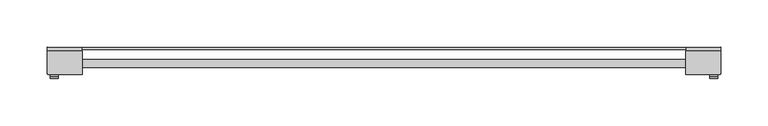
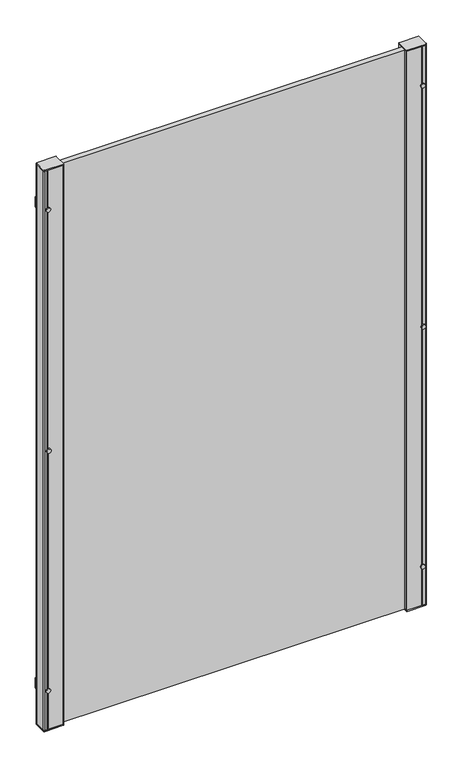
"""IFC4 building model written with IfcOpenShell, lengths in millimetres: railing geometry."""

from ifc_helpers import new_model, si_unit, point, frame, frame_2d, origin, place, context, project, spatial, polyline, circle_curve, trimmed, segment, composite_curve, outline, extrude, source, transform, mapped, element, save
from ifc_brep_helpers import plane_surface, cylinder_surface, advanced_brep


def railing_b41615d3(model_context):
    return source(origin(), model_context, "Body", "SolidModel", [
        extrude(outline(polyline([(-2099.7671701, -2234.4918565), (-2099.7671701, -2232.6281736), (-1419.7671701, -2232.6281736), (-1419.7671701, -2234.4918565), (-2099.7671701, -2234.4918565)])), frame((0.0, 0.0, 500.0), z_axis=(0.0, 0.0, 1.0), x_axis=(1.0, 0.0, 0.0)), (0.0, 0.0, 1.0), 1.1703418),
        extrude(outline(polyline([(-2099.7671701, -2253.9762394), (-2099.7671701, -2245.2162394), (-1419.7671701, -2245.2162394), (-1419.7671701, -2253.9762394), (-2099.7671701, -2253.9762394)])), frame((0.0, 0.0, 500.0), z_axis=(0.0, 0.0, 1.0), x_axis=(1.0, 0.0, 0.0)), (0.0, 0.0, 1.0), 1099.0),
        extrude(outline(composite_curve([segment(trimmed(circle_curve(frame_2d((0.0, 4.0)), 4.0), [point((0.0, 8.0))], [point((0.0, 0.0))], False, "CARTESIAN"), True, "CONTINUOUS"), segment(trimmed(circle_curve(frame_2d((0.0, 4.0)), 4.0), [point((0.0, 0.0))], [point((0.0, 8.0))], False, "CARTESIAN"), True, "CONTINUOUS")], self_intersect=False)), frame((-1415.1460129, -2265.0962549, 1050.5851709), z_axis=(0.007850271526097609, 0.9999691861437364, 0.0), x_axis=(0.0, 0.0, 1.0)), (0.0, 0.0, 1.0), 2.0),
        extrude(outline(composite_curve([segment(trimmed(circle_curve(frame_2d((0.0, 4.0024314)), 4.0024314), [point((0.0, 8.0048629))], [point((0.0, 0.0))], False, "CARTESIAN"), True, "CONTINUOUS"), segment(trimmed(circle_curve(frame_2d((0.0, 4.0024314)), 4.0024314), [point((0.0, 0.0))], [point((0.0, 8.0048629))], False, "CARTESIAN"), True, "CONTINUOUS")], self_intersect=False)), frame((-1407.1433698, -2263.1590181, 577.9289095), z_axis=(0.007850271526097609, 0.9999691861437364, 0.0), x_axis=(0.0, 0.0, -1.0)), (0.0, 0.0, 1.0), 2.0),
        extrude(outline(polyline([(-1403.9831394, -2232.0860358), (-1403.9517383, -2236.0859126), (-1440.2645504, -2236.3709868), (-1440.2959515, -2232.3711101), (-1403.9831394, -2232.0860358)])), frame((0.0, 0.0, 567.9289095), z_axis=(0.0, 0.0, 1.0), x_axis=(1.0, 0.0, 0.0)), (0.0, 0.0, 1.0), 20.0),
        extrude(outline(composite_curve([segment(polyline([(-1440.07076, -2236.1364318), (-1404.9222619, -2236.1364318)]), True, "CONTINUOUS"), segment(trimmed(circle_curve(frame_2d((-1405.2671701, -2237.5962394)), 1.5), [point((-1404.9222619, -2236.1364318))], [point((-1403.7671701, -2237.5962394))], False, "CARTESIAN"), True, "CONTINUOUS"), segment(polyline([(-1403.7671701, -2237.5962394), (-1403.7671701, -2259.5962394)]), True, "CONTINUOUS"), segment(trimmed(circle_curve(frame_2d((-1405.2671701, -2259.5962394)), 1.5), [point((-1403.7671701, -2259.5962394))], [point((-1405.2671701, -2261.0962394))], False, "CARTESIAN"), True, "CONTINUOUS"), segment(polyline([(-1405.2671701, -2261.0962394), (-1440.2671701, -2261.0962394)]), True, "CONTINUOUS"), segment(trimmed(circle_curve(frame_2d((-1440.2671701, -2260.5962394)), 0.5), [point((-1440.2671701, -2261.0962394))], [point((-1440.7671701, -2260.5962394))], False, "CARTESIAN"), True, "CONTINUOUS"), segment(polyline([(-1440.7671701, -2260.5962394), (-1440.7671701, -2236.5962394)]), True, "CONTINUOUS"), segment(trimmed(circle_curve(frame_2d((-1440.2671701, -2236.5962394)), 0.5), [point((-1440.7671701, -2236.5962394))], [point((-1440.07076, -2236.1364318))], False, "CARTESIAN"), True, "CONTINUOUS")], self_intersect=False)), frame((0.0, 0.0, 499.1703418), z_axis=(0.0, 0.0, 1.0), x_axis=(1.0, 0.0, 0.0)), (0.0, 0.0, 1.0), 2.0),
        extrude(outline(composite_curve([segment(polyline([(-1440.07076, -2236.1364318), (-1404.9222619, -2236.1364318)]), True, "CONTINUOUS"), segment(trimmed(circle_curve(frame_2d((-1405.2671701, -2237.5962394)), 1.5), [point((-1404.9222619, -2236.1364318))], [point((-1403.7671701, -2237.5962394))], False, "CARTESIAN"), True, "CONTINUOUS"), segment(polyline([(-1403.7671701, -2237.5962394), (-1403.7671701, -2259.5962394)]), True, "CONTINUOUS"), segment(trimmed(circle_curve(frame_2d((-1405.2671701, -2259.5962394)), 1.5), [point((-1403.7671701, -2259.5962394))], [point((-1405.2671701, -2261.0962394))], False, "CARTESIAN"), True, "CONTINUOUS"), segment(polyline([(-1405.2671701, -2261.0962394), (-1440.2671701, -2261.0962394)]), True, "CONTINUOUS"), segment(trimmed(circle_curve(frame_2d((-1440.2671701, -2260.5962394)), 0.5), [point((-1440.2671701, -2261.0962394))], [point((-1440.7671701, -2260.5962394))], False, "CARTESIAN"), True, "CONTINUOUS"), segment(polyline([(-1440.7671701, -2260.5962394), (-1440.7671701, -2236.5962394)]), True, "CONTINUOUS"), segment(trimmed(circle_curve(frame_2d((-1440.2671701, -2236.5962394)), 0.5), [point((-1440.7671701, -2236.5962394))], [point((-1440.07076, -2236.1364318))], False, "CARTESIAN"), True, "CONTINUOUS")], self_intersect=False)), frame((0.0, 0.0, 1600.0), z_axis=(0.0, 0.0, 1.0), x_axis=(1.0, 0.0, 0.0)), (0.0, 0.0, 1.0), 2.0),
        extrude(outline(composite_curve([segment(trimmed(circle_curve(frame_2d((0.0, 4.0024314)), 4.0024314), [point((0.0, 8.0048629))], [point((0.0, 0.0))], False, "CARTESIAN"), True, "CONTINUOUS"), segment(trimmed(circle_curve(frame_2d((0.0, 4.0024314)), 4.0024314), [point((0.0, 0.0))], [point((0.0, 8.0048629))], False, "CARTESIAN"), True, "CONTINUOUS")], self_intersect=False)), frame((-1407.1433698, -2263.1590181, 1523.2414322), z_axis=(0.007850271526097609, 0.9999691861437364, 0.0), x_axis=(0.0, 0.0, -1.0)), (0.0, 0.0, 1.0), 2.0),
        extrude(outline(polyline([(-1403.9831394, -2232.0860358), (-1403.9517383, -2236.0859126), (-1440.2645504, -2236.3709868), (-1440.2959515, -2232.3711101), (-1403.9831394, -2232.0860358)])), frame((0.0, 0.0, 1513.2414322), z_axis=(0.0, 0.0, 1.0), x_axis=(1.0, 0.0, 0.0)), (0.0, 0.0, 1.0), 20.0),
        advanced_brep(
        [(-1405.2671701, -2236.0962394, 1600.0), (-1410.3868836, -2236.1364318, 1600.0), (-1411.1085068, -2236.858055, 1600.0), (-1412.2398939, -2236.1364318, 1600.0), (-1440.07076, -2236.1364318, 1600.0), (-1440.7671701, -2236.5962394, 1600.0), (-1440.7671701, -2243.8361331, 1600.0), (-1422.2657961, -2243.8361331, 1600.0), (-1422.2657961, -2253.356133, 1600.0), (-1440.7671701, -2253.356133, 1600.0), (-1440.7671701, -2260.5962394, 1600.0), (-1440.2671701, -2261.0962394, 1600.0), (-1412.302909, -2261.0962394, 1600.0), (-1411.1085068, -2260.3344238, 1600.0), (-1410.3868836, -2261.056047, 1600.0), (-1405.2671701, -2261.0962394, 1600.0), (-1403.7671701, -2259.5962394, 1600.0), (-1403.7671701, -2237.5962394, 1600.0), (-1405.2671701, -2236.0962394, 501.1703418), (-1403.7671701, -2237.5962394, 501.1703418), (-1403.7671701, -2259.5962394, 501.1703418), (-1405.2671701, -2261.0962394, 501.1703418), (-1410.3868836, -2261.056047, 501.1703418), (-1411.1085068, -2260.3344238, 501.1703418), (-1412.302909, -2261.0962394, 501.1703418), (-1440.2671701, -2261.0962394, 501.1703418), (-1440.7671701, -2260.5962394, 501.1703418), (-1440.7671701, -2253.356133, 501.1703418), (-1422.2657961, -2253.356133, 501.1703418), (-1422.2657961, -2243.8361331, 501.1703418), (-1440.7671701, -2243.8361331, 501.1703418), (-1440.7671701, -2236.5962394, 501.1703418), (-1440.07076, -2236.1364318, 501.1703418), (-1412.302909, -2236.0962394, 501.1703418), (-1411.1085068, -2236.858055, 501.1703418), (-1410.2368836, -2236.0962394, 501.1703418)],
        [
            (0, 1),
            (1, 2),
            (2, 3),
            (3, 4),
            (4, 5, circle_curve(frame((-1440.2671701, -2236.5962394, 1600.0), z_axis=(0.0, 0.0, 1.0), x_axis=(0.00014726895154789713, 0.9999999891559279, 0.0)), 0.5)),
            (5, 6),
            (6, 7),
            (7, 8),
            (8, 9),
            (9, 10),
            (10, 11, circle_curve(frame((-1440.2671701, -2260.5962394, 1600.0), z_axis=(0.0, 0.0, 1.0), x_axis=(0.00014726895154789713, 0.9999999891559279, 0.0)), 0.5)),
            (11, 12),
            (12, 13),
            (13, 14),
            (14, 15),
            (15, 16, circle_curve(frame((-1405.2671701, -2259.5962394, 1600.0), z_axis=(0.0, 0.0, 1.0), x_axis=(0.00014726895154789713, 0.9999999891559279, 0.0)), 1.5)),
            (16, 17),
            (17, 0, circle_curve(frame((-1405.2671701, -2237.5962394, 1600.0), z_axis=(0.0, 0.0, 1.0), x_axis=(0.00014726895154789713, 0.9999999891559279, 0.0)), 1.5)),
            (18, 19, circle_curve(frame((-1405.2671701, -2237.5962394, 501.1703418), z_axis=(0.0, 0.0, -1.0), x_axis=(0.00014726895154789713, 0.9999999891559279, 0.0)), 1.5)),
            (19, 20),
            (20, 21, circle_curve(frame((-1405.2671701, -2259.5962394, 501.1703418), z_axis=(0.0, 0.0, -1.0), x_axis=(0.00014726895154789713, 0.9999999891559279, 0.0)), 1.5)),
            (21, 22),
            (22, 23),
            (23, 24),
            (24, 25),
            (25, 26, circle_curve(frame((-1440.2671701, -2260.5962394, 501.1703418), z_axis=(0.0, 0.0, -1.0), x_axis=(0.00014726895154789713, 0.9999999891559279, 0.0)), 0.5)),
            (26, 27),
            (27, 28),
            (28, 29),
            (29, 30),
            (30, 31),
            (31, 32, circle_curve(frame((-1440.2671701, -2236.5962394, 501.1703418), z_axis=(0.0, 0.0, -1.0), x_axis=(0.00014726895154789713, 0.9999999891559279, 0.0)), 0.5)),
            (32, 33),
            (33, 34),
            (34, 35),
            (35, 18),
            (17, 19),
            (18, 0),
            (16, 20),
            (15, 21),
            (14, 22),
            (13, 23),
            (12, 24),
            (11, 25),
            (10, 26),
            (9, 27),
            (8, 28),
            (7, 29),
            (6, 30),
            (5, 31),
            (4, 32),
            (3, 33),
            (2, 34),
            (1, 35),
        ],
        [
            plane_surface(frame((-1405.2669492, -2236.0962394, 1600.0), z_axis=(0.0, 0.0, 1.0), x_axis=(0.9999999891559279, -0.00014726895154789713, 0.0))),
            plane_surface(frame((-1405.2669492, -2236.0962394, 501.1703418), z_axis=(0.0, 0.0, -1.0), x_axis=(-0.9999999891559279, 0.00014726895154789713, 0.0))),
            cylinder_surface(frame((-1405.2671701, -2237.5962394, 501.1703418), z_axis=(0.0, 0.0, 1.0), x_axis=(0.00014726895154789713, 0.9999999891559279, 0.0)), 1.5),
            plane_surface(frame((-1403.7671701, -2237.5962394, 1600.0), z_axis=(1.0, 1.92900901268789e-12, 0.0), x_axis=(0.0, 0.0, -1.0))),
            cylinder_surface(frame((-1405.2671701, -2259.5962394, 501.1703418), z_axis=(0.0, 0.0, 1.0), x_axis=(0.00014726895154789713, 0.9999999891559279, 0.0)), 1.5),
            plane_surface(frame((-1405.2671701, -2261.0962394, 1600.0), z_axis=(-0.007850271527930148, -0.9999691861437221, 0.0), x_axis=(0.0, 0.0, -1.0))),
            plane_surface(frame((-1410.3868836, -2261.056047, 1600.0), z_axis=(-0.7071067811855565, -0.7071067811875387, 0.0), x_axis=(0.0, 0.0, -1.0))),
            plane_surface(frame((-1411.1085068, -2260.3344238, 1600.0), z_axis=(0.5377501824726267, -0.8431042291737462, 0.0), x_axis=(0.0, 0.0, -1.0))),
            plane_surface(frame((-1412.302909, -2261.0962394, 1600.0), z_axis=(1.929105363887944e-12, -1.0, 0.0), x_axis=(0.0, 0.0, -1.0))),
            cylinder_surface(frame((-1440.2671701, -2260.5962394, 501.1703418), z_axis=(0.0, 0.0, 1.0), x_axis=(0.00014726895154789713, 0.9999999891559279, 0.0)), 0.5),
            plane_surface(frame((-1440.7671701, -2260.5962394, 1600.0), z_axis=(-1.0, -1.929219168987837e-12, 0.0), x_axis=(0.0, 0.0, -1.0))),
            plane_surface(frame((-1440.7671701, -2253.356133, 1600.0), z_axis=(-1.928971284930386e-12, 1.0, 0.0), x_axis=(0.0, 0.0, -1.0))),
            plane_surface(frame((-1422.2657961, -2253.356133, 1600.0), z_axis=(-1.0, -1.92890766479023e-12, 0.0), x_axis=(0.0, 0.0, -1.0))),
            plane_surface(frame((-1422.2657961, -2243.8361331, 1600.0), z_axis=(1.9289998635491052e-12, -1.0, 0.0), x_axis=(0.0, 0.0, -1.0))),
            plane_surface(frame((-1440.7671701, -2243.8361331, 1600.0), z_axis=(-1.0, -1.9292760983682596e-12, 0.0), x_axis=(0.0, 0.0, -1.0))),
            cylinder_surface(frame((-1440.2671701, -2236.5962394, 501.1703418), z_axis=(0.0, 0.0, 1.0), x_axis=(0.00014726895154789713, 0.9999999891559279, 0.0)), 0.5),
            plane_surface(frame((-1440.07076, -2236.1364318, 1600.0), z_axis=(-1.928989620531305e-12, 1.0, 0.0), x_axis=(0.0, 0.0, -1.0))),
            plane_surface(frame((-1412.302909, -2236.0962394, 1600.0), z_axis=(0.5377501824702516, 0.8431042291752612, 0.0), x_axis=(0.0, 0.0, -1.0))),
            plane_surface(frame((-1411.1085068, -2236.858055, 1600.0), z_axis=(-0.7071067811875464, 0.7071067811855487, 0.0), x_axis=(0.0, 0.0, -1.0))),
            plane_surface(frame((-1410.2368836, -2236.0962394, 1600.0), z_axis=(-1.929091314409301e-12, 1.0, 0.0), x_axis=(0.0, 0.0, -1.0))),
        ],
        [
            (0, [[1, 2, 3, 4, 5, 6, 7, 8, 9, 10, 11, 12, 13, 14, 15, 16, 17, 18]]),
            (1, [[19, 20, 21, 22, 23, 24, 25, 26, 27, 28, 29, 30, 31, 32, 33, 34, 35, 36]]),
            (2, [[37, -19, 38, -18]]),
            (3, [[39, -20, -37, -17]]),
            (4, [[40, -21, -39, -16]]),
            (5, [[41, -22, -40, -15]]),
            (6, [[42, -23, -41, -14]]),
            (7, [[43, -24, -42, -13]]),
            (8, [[44, -25, -43, -12]]),
            (9, [[45, -26, -44, -11]]),
            (10, [[46, -27, -45, -10]]),
            (11, [[47, -28, -46, -9]]),
            (12, [[48, -29, -47, -8]]),
            (13, [[49, -30, -48, -7]]),
            (14, [[50, -31, -49, -6]]),
            (15, [[51, -32, -50, -5]]),
            (16, [[52, -33, -51, -4]]),
            (17, [[53, -34, -52, -3]]),
            (18, [[54, -35, -53, -2]]),
            (19, [[-38, -36, -54, -1]]),
        ],
    ),
        extrude(outline(composite_curve([segment(trimmed(circle_curve(frame_2d((0.0, 4.0000001)), 4.0), [point((0.0, 8.0))], [point((0.0, 0.0))], False, "CARTESIAN"), True, "CONTINUOUS"), segment(trimmed(circle_curve(frame_2d((0.0, 4.0000001)), 4.0), [point((0.0, 0.0))], [point((0.0, 8.0))], False, "CARTESIAN"), True, "CONTINUOUS")], self_intersect=False)), frame((-2112.3880809, -2265.1590571, 1050.5851709), z_axis=(-0.00785027152558478, 0.9999691861437405, 0.0), x_axis=(0.0, 0.0, 1.0)), (0.0, 0.0, 1.0), 2.0),
        extrude(outline(composite_curve([segment(trimmed(circle_curve(frame_2d((0.0, 4.0024314)), 4.0024314), [point((0.0, 8.0048629))], [point((0.0, 0.0))], False, "CARTESIAN"), True, "CONTINUOUS"), segment(trimmed(circle_curve(frame_2d((0.0, 4.0024314)), 4.0024314), [point((0.0, 0.0))], [point((0.0, 8.0048629))], False, "CARTESIAN"), True, "CONTINUOUS")], self_intersect=False)), frame((-2112.3909705, -2263.1590181, 577.9289095), z_axis=(-0.00785027152558478, 0.9999691861437405, 0.0), x_axis=(0.0, 0.0, 1.0)), (0.0, 0.0, 1.0), 2.0),
        extrude(outline(polyline([(-2079.2383888, -2232.3711101), (-2079.2697899, -2236.3709868), (-2115.582602, -2236.0859126), (-2115.5512009, -2232.0860358), (-2079.2383888, -2232.3711101)])), frame((0.0, 0.0, 567.9289095), z_axis=(0.0, 0.0, 1.0), x_axis=(1.0, 0.0, 0.0)), (0.0, 0.0, 1.0), 20.0),
        extrude(outline(composite_curve([segment(trimmed(circle_curve(frame_2d((0.0, 4.0024314)), 4.0024314), [point((0.0, 8.0048629))], [point((0.0, 0.0))], False, "CARTESIAN"), True, "CONTINUOUS"), segment(trimmed(circle_curve(frame_2d((0.0, 4.0024314)), 4.0024314), [point((0.0, 0.0))], [point((0.0, 8.0048629))], False, "CARTESIAN"), True, "CONTINUOUS")], self_intersect=False)), frame((-2112.3909705, -2263.1590181, 1523.2414322), z_axis=(-0.00785027152558478, 0.9999691861437405, 0.0), x_axis=(0.0, 0.0, 1.0)), (0.0, 0.0, 1.0), 2.0),
        extrude(outline(polyline([(-2079.2383888, -2232.3711101), (-2079.2697899, -2236.3709868), (-2115.582602, -2236.0859126), (-2115.5512009, -2232.0860358), (-2079.2383888, -2232.3711101)])), frame((0.0, 0.0, 1513.2414322), z_axis=(0.0, 0.0, 1.0), x_axis=(1.0, 0.0, 0.0)), (0.0, 0.0, 1.0), 20.0),
        extrude(outline(composite_curve([segment(polyline([(-2079.4635803, -2261.056047), (-2114.6120784, -2261.056047)]), True, "CONTINUOUS"), segment(trimmed(circle_curve(frame_2d((-2114.2671701, -2259.5962394)), 1.5), [point((-2114.6120784, -2261.056047))], [point((-2115.7671701, -2259.5962394))], False, "CARTESIAN"), True, "CONTINUOUS"), segment(polyline([(-2115.7671701, -2259.5962394), (-2115.7671701, -2237.5962394)]), True, "CONTINUOUS"), segment(trimmed(circle_curve(frame_2d((-2114.2671701, -2237.5962394)), 1.5), [point((-2115.7671701, -2237.5962394))], [point((-2114.2671701, -2236.0962394))], False, "CARTESIAN"), True, "CONTINUOUS"), segment(polyline([(-2114.2671701, -2236.0962394), (-2079.2671701, -2236.0962394)]), True, "CONTINUOUS"), segment(trimmed(circle_curve(frame_2d((-2079.2671701, -2236.5962394)), 0.5), [point((-2079.2671701, -2236.0962394))], [point((-2078.7671701, -2236.5962394))], False, "CARTESIAN"), True, "CONTINUOUS"), segment(polyline([(-2078.7671701, -2236.5962394), (-2078.7671701, -2260.5962394)]), True, "CONTINUOUS"), segment(trimmed(circle_curve(frame_2d((-2079.2671701, -2260.5962394)), 0.5), [point((-2078.7671701, -2260.5962394))], [point((-2079.4635803, -2261.056047))], False, "CARTESIAN"), True, "CONTINUOUS")], self_intersect=False)), frame((0.0, 0.0, 499.1703418), z_axis=(0.0, 0.0, 1.0), x_axis=(1.0, 0.0, 0.0)), (0.0, 0.0, 1.0), 2.0),
        extrude(outline(composite_curve([segment(polyline([(-2079.4635803, -2261.056047), (-2114.6120784, -2261.056047)]), True, "CONTINUOUS"), segment(trimmed(circle_curve(frame_2d((-2114.2671701, -2259.5962394)), 1.5), [point((-2114.6120784, -2261.056047))], [point((-2115.7671701, -2259.5962394))], False, "CARTESIAN"), True, "CONTINUOUS"), segment(polyline([(-2115.7671701, -2259.5962394), (-2115.7671701, -2237.5962394)]), True, "CONTINUOUS"), segment(trimmed(circle_curve(frame_2d((-2114.2671701, -2237.5962394)), 1.5), [point((-2115.7671701, -2237.5962394))], [point((-2114.2671701, -2236.0962394))], False, "CARTESIAN"), True, "CONTINUOUS"), segment(polyline([(-2114.2671701, -2236.0962394), (-2079.2671701, -2236.0962394)]), True, "CONTINUOUS"), segment(trimmed(circle_curve(frame_2d((-2079.2671701, -2236.5962394)), 0.5), [point((-2079.2671701, -2236.0962394))], [point((-2078.7671701, -2236.5962394))], False, "CARTESIAN"), True, "CONTINUOUS"), segment(polyline([(-2078.7671701, -2236.5962394), (-2078.7671701, -2260.5962394)]), True, "CONTINUOUS"), segment(trimmed(circle_curve(frame_2d((-2079.2671701, -2260.5962394)), 0.5), [point((-2078.7671701, -2260.5962394))], [point((-2079.4635803, -2261.056047))], False, "CARTESIAN"), True, "CONTINUOUS")], self_intersect=False)), frame((0.0, 0.0, 1600.0), z_axis=(0.0, 0.0, 1.0), x_axis=(1.0, 0.0, 0.0)), (0.0, 0.0, 1.0), 2.0),
        advanced_brep(
        [(-2114.2671701, -2261.0962394, 1600.0), (-2109.1474567, -2261.056047, 1600.0), (-2108.4258335, -2260.3344238, 1600.0), (-2107.2944464, -2261.056047, 1600.0), (-2079.4635803, -2261.056047, 1600.0), (-2078.7671701, -2260.5962394, 1600.0), (-2078.7671701, -2253.3563457, 1600.0), (-2097.2685442, -2253.3563457, 1600.0), (-2097.2685442, -2243.8363458, 1600.0), (-2078.7671701, -2243.8363458, 1600.0), (-2078.7671701, -2236.5962394, 1600.0), (-2079.2671701, -2236.0962394, 1600.0), (-2107.2314313, -2236.0962394, 1600.0), (-2108.4258335, -2236.858055, 1600.0), (-2109.1474567, -2236.1364318, 1600.0), (-2114.2671701, -2236.0962394, 1600.0), (-2115.7671701, -2237.5962394, 1600.0), (-2115.7671701, -2259.5962394, 1600.0), (-2114.2671701, -2261.0962394, 501.1703418), (-2115.7671701, -2259.5962394, 501.1703418), (-2115.7671701, -2237.5962394, 501.1703418), (-2114.2671701, -2236.0962394, 501.1703418), (-2109.1474567, -2236.1364318, 501.1703418), (-2108.4258335, -2236.858055, 501.1703418), (-2107.2314313, -2236.0962394, 501.1703418), (-2079.2671701, -2236.0962394, 501.1703418), (-2078.7671701, -2236.5962394, 501.1703418), (-2078.7671701, -2243.8363458, 501.1703418), (-2097.2685442, -2243.8363458, 501.1703418), (-2097.2685442, -2253.3563457, 501.1703418), (-2078.7671701, -2253.3563457, 501.1703418), (-2078.7671701, -2260.5962394, 501.1703418), (-2079.4635803, -2261.056047, 501.1703418), (-2107.2314313, -2261.0962394, 501.1703418), (-2108.4258335, -2260.3344238, 501.1703418), (-2109.2974567, -2261.0962394, 501.1703418)],
        [
            (0, 1),
            (1, 2),
            (2, 3),
            (3, 4),
            (4, 5, circle_curve(frame((-2079.2671701, -2260.5962394, 1600.0), z_axis=(0.0, 0.0, 1.0), x_axis=(-0.00014726895105128293, -0.999999989155928, 0.0)), 0.5)),
            (5, 6),
            (6, 7),
            (7, 8),
            (8, 9),
            (9, 10),
            (10, 11, circle_curve(frame((-2079.2671701, -2236.5962394, 1600.0), z_axis=(0.0, 0.0, 1.0), x_axis=(-0.00014726895105128293, -0.999999989155928, 0.0)), 0.5)),
            (11, 12),
            (12, 13),
            (13, 14),
            (14, 15),
            (15, 16, circle_curve(frame((-2114.2671701, -2237.5962394, 1600.0), z_axis=(0.0, 0.0, 1.0), x_axis=(-0.00014726895105128293, -0.999999989155928, 0.0)), 1.5)),
            (16, 17),
            (17, 0, circle_curve(frame((-2114.2671701, -2259.5962394, 1600.0), z_axis=(0.0, 0.0, 1.0), x_axis=(-0.00014726895105128293, -0.999999989155928, 0.0)), 1.5)),
            (18, 19, circle_curve(frame((-2114.2671701, -2259.5962394, 501.1703418), z_axis=(0.0, 0.0, -1.0), x_axis=(-0.00014726895105128293, -0.999999989155928, 0.0)), 1.5)),
            (19, 20),
            (20, 21, circle_curve(frame((-2114.2671701, -2237.5962394, 501.1703418), z_axis=(0.0, 0.0, -1.0), x_axis=(-0.00014726895105128293, -0.999999989155928, 0.0)), 1.5)),
            (21, 22),
            (22, 23),
            (23, 24),
            (24, 25),
            (25, 26, circle_curve(frame((-2079.2671701, -2236.5962394, 501.1703418), z_axis=(0.0, 0.0, -1.0), x_axis=(-0.00014726895105128293, -0.999999989155928, 0.0)), 0.5)),
            (26, 27),
            (27, 28),
            (28, 29),
            (29, 30),
            (30, 31),
            (31, 32, circle_curve(frame((-2079.2671701, -2260.5962394, 501.1703418), z_axis=(0.0, 0.0, -1.0), x_axis=(-0.00014726895105128293, -0.999999989155928, 0.0)), 0.5)),
            (32, 33),
            (33, 34),
            (34, 35),
            (35, 18),
            (17, 19),
            (18, 0),
            (16, 20),
            (15, 21),
            (14, 22),
            (13, 23),
            (12, 24),
            (11, 25),
            (10, 26),
            (9, 27),
            (8, 28),
            (7, 29),
            (6, 30),
            (5, 31),
            (4, 32),
            (3, 33),
            (2, 34),
            (1, 35),
        ],
        [
            plane_surface(frame((-2114.267391, -2261.0962394, 1600.0), z_axis=(0.0, 0.0, 1.0), x_axis=(-0.999999989155928, 0.00014726895105128293, 0.0))),
            plane_surface(frame((-2114.267391, -2261.0962394, 501.1703418), z_axis=(0.0, 0.0, -1.0), x_axis=(0.999999989155928, -0.00014726895105128293, 0.0))),
            cylinder_surface(frame((-2114.2671701, -2259.5962394, 501.1703418), z_axis=(0.0, 0.0, 1.0), x_axis=(-0.00014726895105128293, -0.999999989155928, 0.0)), 1.5),
            plane_surface(frame((-2115.7671701, -2259.5962394, 1600.0), z_axis=(-1.0, -2.4256333891665835e-12, 0.0), x_axis=(0.0, 0.0, -1.0))),
            cylinder_surface(frame((-2114.2671701, -2237.5962394, 501.1703418), z_axis=(0.0, 0.0, 1.0), x_axis=(-0.00014726895105128293, -0.999999989155928, 0.0)), 1.5),
            plane_surface(frame((-2114.2671701, -2236.0962394, 1600.0), z_axis=(0.007850271527433462, 0.9999691861437259, 0.0), x_axis=(0.0, 0.0, -1.0))),
            plane_surface(frame((-2109.1474567, -2236.1364318, 1600.0), z_axis=(0.7071067811852046, 0.7071067811878904, 0.0), x_axis=(0.0, 0.0, -1.0))),
            plane_surface(frame((-2108.4258335, -2236.858055, 1600.0), z_axis=(-0.5377501824730431, 0.8431042291734806, 0.0), x_axis=(0.0, 0.0, -1.0))),
            plane_surface(frame((-2107.2314313, -2236.0962394, 1600.0), z_axis=(-2.425776448425489e-12, 1.0, 0.0), x_axis=(0.0, 0.0, -1.0))),
            cylinder_surface(frame((-2079.2671701, -2236.5962394, 501.1703418), z_axis=(0.0, 0.0, 1.0), x_axis=(-0.00014726895105128293, -0.999999989155928, 0.0)), 0.5),
            plane_surface(frame((-2078.7671701, -2236.5962394, 1600.0), z_axis=(1.0, 2.4258219897141006e-12, 0.0), x_axis=(0.0, 0.0, -1.0))),
            plane_surface(frame((-2078.7671701, -2243.8363458, 1600.0), z_axis=(2.4255819424091834e-12, -1.0, 0.0), x_axis=(0.0, 0.0, -1.0))),
            plane_surface(frame((-2097.2685442, -2243.8363458, 1600.0), z_axis=(1.0, 2.4256601676017096e-12, 0.0), x_axis=(0.0, 0.0, -1.0))),
            plane_surface(frame((-2097.2685442, -2253.3563457, 1600.0), z_axis=(-2.4256105210279026e-12, 1.0, 0.0), x_axis=(0.0, 0.0, -1.0))),
            plane_surface(frame((-2078.7671701, -2253.3563457, 1600.0), z_axis=(1.0, 2.4258935119694823e-12, 0.0), x_axis=(0.0, 0.0, -1.0))),
            cylinder_surface(frame((-2079.2671701, -2260.5962394, 501.1703418), z_axis=(0.0, 0.0, 1.0), x_axis=(-0.00014726895105128293, -0.999999989155928, 0.0)), 0.5),
            plane_surface(frame((-2079.4635803, -2261.056047, 1600.0), z_axis=(2.42560382182359e-12, -1.0, 0.0), x_axis=(0.0, 0.0, -1.0))),
            plane_surface(frame((-2107.2314313, -2261.0962394, 1600.0), z_axis=(-0.5377501824698335, -0.8431042291755277, 0.0), x_axis=(0.0, 0.0, -1.0))),
            plane_surface(frame((-2108.4258335, -2260.3344238, 1600.0), z_axis=(0.7071067811878976, -0.7071067811851975, 0.0), x_axis=(0.0, 0.0, -1.0))),
            plane_surface(frame((-2109.2974567, -2261.0962394, 1600.0), z_axis=(2.4257347718212575e-12, -1.0, 0.0), x_axis=(0.0, 0.0, -1.0))),
        ],
        [
            (0, [[1, 2, 3, 4, 5, 6, 7, 8, 9, 10, 11, 12, 13, 14, 15, 16, 17, 18]]),
            (1, [[19, 20, 21, 22, 23, 24, 25, 26, 27, 28, 29, 30, 31, 32, 33, 34, 35, 36]]),
            (2, [[37, -19, 38, -18]]),
            (3, [[39, -20, -37, -17]]),
            (4, [[40, -21, -39, -16]]),
            (5, [[41, -22, -40, -15]]),
            (6, [[42, -23, -41, -14]]),
            (7, [[43, -24, -42, -13]]),
            (8, [[44, -25, -43, -12]]),
            (9, [[45, -26, -44, -11]]),
            (10, [[46, -27, -45, -10]]),
            (11, [[47, -28, -46, -9]]),
            (12, [[48, -29, -47, -8]]),
            (13, [[49, -30, -48, -7]]),
            (14, [[50, -31, -49, -6]]),
            (15, [[51, -32, -50, -5]]),
            (16, [[52, -33, -51, -4]]),
            (17, [[53, -34, -52, -3]]),
            (18, [[54, -35, -53, -2]]),
            (19, [[-38, -36, -54, -1]]),
        ],
    ),
    ])


if __name__ == "__main__":
    model = new_model("IFC4")
    model_context = context("Model", 3, world=origin())
    ifc_project = project(units=[si_unit("LENGTHUNIT", "METRE", prefix="MILLI")], contexts=[model_context])
    site = spatial("IfcSite", under=ifc_project)
    building = spatial("IfcBuilding", under=site)
    placement = place(None, origin())
    railing_shape = railing_b41615d3(model_context)
    element("IfcRailing", 1, at=placement, inside=building, context=model_context, shape_type="MappedRepresentation", body=[
        mapped(railing_shape, transform((0.0, 0.0, 0.0), x_axis=(1.0, 0.0, 0.0), y_axis=(0.0, 1.0, 0.0), z_axis=(0.0, 0.0, 1.0))),
    ])
    save(model, "model.ifc")
